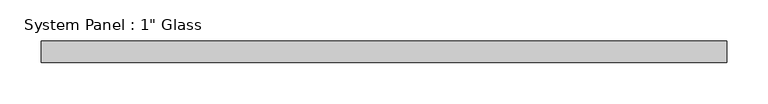
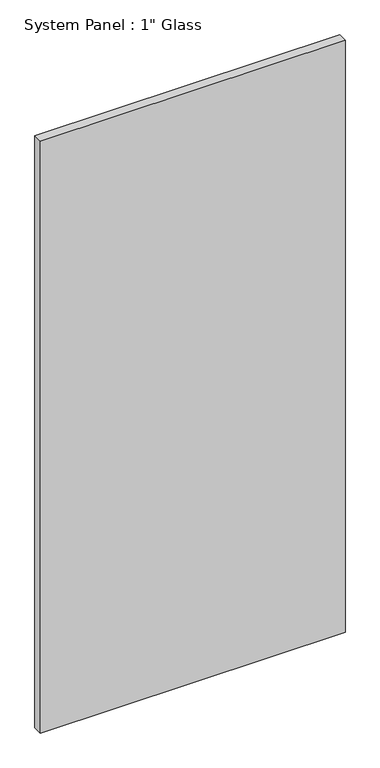
"""IFC4 building model written with IfcOpenShell, lengths in millimetres: plate geometry."""

from ifc_helpers import new_model, si_unit, origin, origin_with_axes, place, context, project, spatial, polyline, outline, extrude, source, transform, mapped, element, save


def plate_5a3b7095(model_context):
    return source(origin(), model_context, "Body", "SweptSolid", [
        extrude(outline(polyline([(412.75, -12.7), (-412.75, -12.7), (-412.75, 12.7), (412.75, 12.7), (412.75, -12.7)])), origin_with_axes(), (0.0, 0.0, 1.0), 1695.45),
    ])


if __name__ == "__main__":
    model = new_model("IFC4")
    model_context = context("Model", 3, world=origin())
    ifc_project = project(units=[si_unit("LENGTHUNIT", "METRE", prefix="MILLI")], contexts=[model_context])
    site = spatial("IfcSite", under=ifc_project)
    building = spatial("IfcBuilding", under=site)
    placement = place(None, origin())
    plate_shape = plate_5a3b7095(model_context)
    element("IfcPlate", 1, ObjectType="System Panel : 1\" Glass", at=placement, inside=building, context=model_context, shape_type="MappedRepresentation", body=[
        mapped(plate_shape, transform((0.0, 0.0, 0.0), x_axis=(1.0, 0.0, 0.0), y_axis=(0.0, 1.0, 0.0), z_axis=(0.0, 0.0, 1.0))),
    ])
    save(model, "model.ifc")
